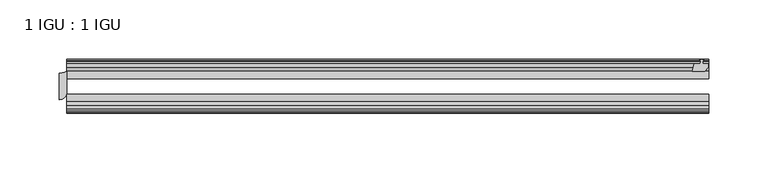
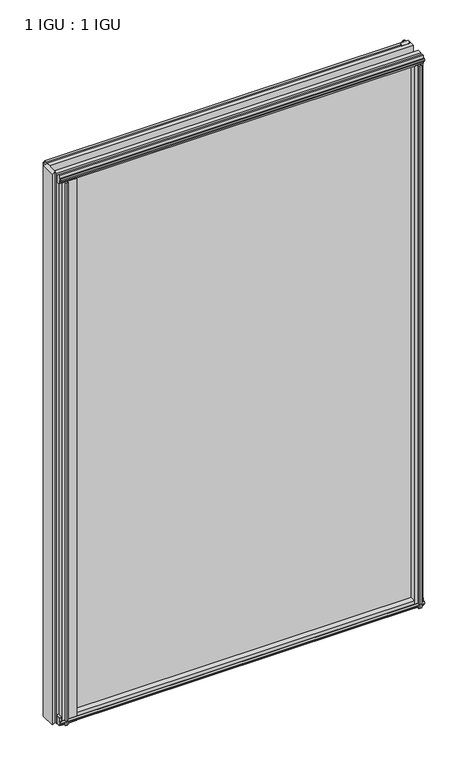
"""IFC4 building model written with IfcOpenShell, lengths in millimetres: plate geometry, 1 IGU : 1 IGU."""

from ifc_helpers import new_model, si_unit, point, frame, frame_2d, origin, place, context, project, spatial, polyline, circle_curve, trimmed, segment, composite_curve, outline, extrude, source, transform, mapped, element, save


def plate_1_igu_1_igu_da05635e(model_context):
    return source(origin(), model_context, "Body", "SweptSolid", [
        extrude(outline(composite_curve([segment(trimmed(circle_curve(frame_2d((-282.5495835, -9.2004624)), 12.1389698), [point((-282.5495835, -21.3394322))], [point((-276.1995835, -19.5460937))], True, "CARTESIAN"), True, "CONTINUOUS"), segment(polyline([(-276.1995835, -19.5460937), (-276.1995835, -37.2144322)]), True, "CONTINUOUS"), segment(trimmed(circle_curve(frame_2d((-282.5495835, -37.2144322)), 6.35), [point((-276.1995835, -37.2144322))], [point((-282.5495835, -43.5644322))], False, "CARTESIAN"), True, "CONTINUOUS"), segment(polyline([(-282.5495835, -43.5644322), (-282.5495835, -21.3394322)]), True, "CONTINUOUS")], self_intersect=False)), frame((0.0, 0.0, -12.4587), z_axis=(0.0, 0.0, 1.0), x_axis=(1.0, 0.0, 0.0)), (0.0, 0.0, 1.0), 863.1174001),
        extrude(outline(polyline([(255.4927544, -10.4746158), (257.6702835, -9.7670938), (259.8478125, -10.4746158), (259.8478125, -11.27583), (258.4322835, -10.8158968), (258.8132835, -13.1960938), (263.2582835, -13.1960938), (263.2582835, -16.1424938), (260.4239413, -19.5460938), (249.6025654, -19.5460938), (251.3202835, -13.1960938), (256.5272835, -13.1960938), (256.9082835, -10.8158968), (255.4927544, -11.27583), (255.4927544, -10.4746158)])), frame((0.0, 0.0, -12.4587), z_axis=(0.0, 0.0, 1.0), x_axis=(1.0, 0.0, 0.0)), (0.0, 0.0, 1.0), 863.1174001),
        extrude(outline(composite_curve([segment(polyline([(-273.0245835, -44.9460937), (-248.9363393, -44.9460937)]), True, "CONTINUOUS"), segment(trimmed(circle_curve(frame_2d((-242.0239556, -50.4227155)), 8.8189814), [point((-248.9363393, -44.9460937))], [point((-250.7995835, -51.2960937))], True, "CARTESIAN"), True, "CONTINUOUS"), segment(polyline([(-250.7995835, -51.2960937), (-265.4045835, -51.2960937), (-265.7220835, -53.4006957), (-264.5034776, -53.0741712), (-264.2996835, -53.8347412), (-266.6745835, -54.4710937), (-269.0494835, -53.8347412), (-268.8456894, -53.0741712), (-267.6270835, -53.4006957), (-267.9445835, -51.2960937), (-273.0245835, -51.2960937), (-273.0245835, -44.9460937)]), True, "CONTINUOUS")], self_intersect=False)), frame((0.0, 0.0, -12.4587), z_axis=(0.0, 0.0, 1.0), x_axis=(1.0, 0.0, 0.0)), (0.0, 0.0, 1.0), 850.4174001),
        extrude(outline(polyline([(249.0851674, -44.9460938), (259.9065433, -44.9460938), (262.7408855, -48.3496938), (262.7408855, -51.2960938), (258.2958855, -51.2960938), (257.9148855, -53.6762907), (259.3304145, -53.2163575), (259.3304145, -54.0175717), (257.1528855, -54.7250938), (254.9753564, -54.0175717), (254.9753564, -53.2163575), (256.3908855, -53.6762907), (256.0098855, -51.2960938), (250.8028855, -51.2960938), (249.0851674, -44.9460938)])), frame((0.0, 0.0, -12.4587), z_axis=(0.0, 0.0, 1.0), x_axis=(1.0, 0.0, 0.0)), (0.0, 0.0, 1.0), 850.4174001),
        extrude(outline(polyline([(-10.4746158, -4.6931709), (-9.7670937, -6.8707), (-10.4746158, -9.0482291), (-11.27583, -9.0482291), (-10.8158968, -7.6327), (-13.1960937, -8.0137), (-13.1960937, -12.4587), (-16.1424937, -12.4587), (-19.5460937, -9.6243578), (-19.5460937, 1.1970181), (-13.1960937, -0.5207), (-13.1960937, -5.7277), (-10.8158968, -6.1087), (-11.27583, -4.6931709), (-10.4746158, -4.6931709)])), frame((-276.1995835, 0.0, 0.0), z_axis=(1.0, 0.0, 0.0), x_axis=(0.0, 1.0, 0.0)), (0.0, 0.0, 1.0), 539.699167),
        extrude(outline(polyline([(-44.9460937, 1.7177181), (-44.9460937, -9.1036578), (-48.3496937, -11.938), (-51.2960937, -11.938), (-51.2960937, -7.493), (-53.6762907, -7.112), (-53.2163575, -8.5275291), (-54.0175717, -8.5275291), (-54.7250937, -6.35), (-54.0175717, -4.1724709), (-53.2163575, -4.1724709), (-53.6762907, -5.588), (-51.2960937, -5.207), (-51.2960937, 0.0), (-44.9460937, 1.7177181)])), frame((-276.1995835, 0.0, 0.0), z_axis=(1.0, 0.0, 0.0), x_axis=(0.0, 1.0, 0.0)), (0.0, 0.0, 1.0), 539.699167),
        extrude(outline(polyline([(-10.8158968, 845.8327001), (-11.27583, 847.2482291), (-10.4746158, 847.2482291), (-9.7670937, 845.0707001), (-10.4746158, 842.893171), (-11.27583, 842.893171), (-10.8158968, 844.3087001), (-13.1960937, 843.9277001), (-13.1960937, 838.7207001), (-19.5460938, 837.002982), (-19.5460938, 847.8243579), (-16.1424937, 850.6587001), (-13.1960937, 850.6587001), (-13.1960937, 846.2137001), (-10.8158968, 845.8327001)])), frame((-276.1995835, 0.0, 0.0), z_axis=(1.0, 0.0, 0.0), x_axis=(0.0, 1.0, 0.0)), (0.0, 0.0, 1.0), 539.699167),
        extrude(outline(polyline([(-51.2960937, 850.1380001), (-48.3496937, 850.1380001), (-44.9460938, 847.3036579), (-44.9460938, 836.482282), (-51.2960937, 838.2000001), (-51.2960937, 843.4070001), (-53.6762907, 843.7880001), (-53.2163575, 842.372471), (-54.0175717, 842.372471), (-54.7250937, 844.5500001), (-54.0175717, 846.7275291), (-53.2163575, 846.7275291), (-53.6762907, 845.3120001), (-51.2960937, 845.6930001), (-51.2960937, 850.1380001)])), frame((-276.1995835, 0.0, 0.0), z_axis=(1.0, 0.0, 0.0), x_axis=(0.0, 1.0, 0.0)), (0.0, 0.0, 1.0), 539.699167),
        extrude(outline(polyline([(-276.1995835, -38.9186738), (263.4995835, -38.9186738), (263.4995835, -44.9460937), (-276.1995835, -44.9460937), (-276.1995835, -38.9186738)])), frame((0.0, 0.0, -12.7), z_axis=(0.0, 0.0, 1.0), x_axis=(1.0, 0.0, 0.0)), (0.0, 0.0, 1.0), 863.6000001),
        extrude(outline(polyline([(-276.1995835, -19.5460937), (263.4995835, -19.5460937), (263.4995835, -25.8960938), (-276.1995835, -25.8960938), (-276.1995835, -19.5460937)])), frame((0.0, 0.0, -12.7), z_axis=(0.0, 0.0, 1.0), x_axis=(1.0, 0.0, 0.0)), (0.0, 0.0, 1.0), 863.6000001),
    ])


if __name__ == "__main__":
    model = new_model("IFC4")
    model_context = context("Model", 3, world=origin())
    ifc_project = project(units=[si_unit("LENGTHUNIT", "METRE", prefix="MILLI")], contexts=[model_context])
    site = spatial("IfcSite", under=ifc_project)
    building = spatial("IfcBuilding", under=site)
    placement = place(None, origin())
    plate_1_igu_1_igu_shape = plate_1_igu_1_igu_da05635e(model_context)
    element("IfcPlate", 1, ObjectType="1 IGU : 1 IGU", at=placement, inside=building, context=model_context, shape_type="MappedRepresentation", body=[
        mapped(plate_1_igu_1_igu_shape, transform((0.0, 0.0, 0.0), x_axis=(1.0, 0.0, 0.0), y_axis=(0.0, 1.0, 0.0), z_axis=(0.0, 0.0, 1.0))),
    ])
    save(model, "model.ifc")
